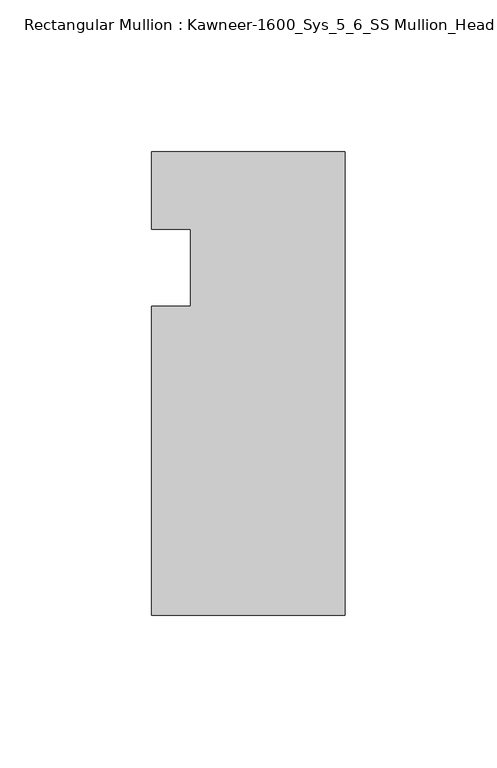
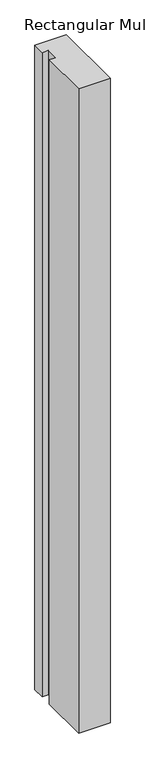
"""IFC4 building model written with IfcOpenShell, lengths in millimetres: member geometry, Rectangular Mullion : Kawneer-1600_Sys_5_6_SS Mullion_Head."""

import ifcopenshell
import ifcopenshell.guid

model = None  # the IFC model being written
_history = None  # IfcOwnerHistory: only IFC2X3 demands one
_inside = {}  # id of a spatial element -> (the spatial element, [elements in it])
_under = {}  # id of a project, library or spatial element -> (it, [spatial elements below it])
_declared = {}  # id of a project -> (the project, [libraries it declares])
_typed = {}  # id of a type object -> (the type object, [elements of that type])
_made_of = {}  # id of a material, layer set ... -> (it, [elements and type objects made of it])


def new_model(schema):
    """Start an empty IFC model of exactly this schema.

    Asked for "IFC4X3", IfcOpenShell would pick the latest addendum, in which some entities
    have other attributes; the version numbers below select the first issue.
    IFC2X3 requires an IfcOwnerHistory on every rooted entity: one is made here for all.
    """
    global model, _history
    if schema == "IFC4X3":
        model = ifcopenshell.file(schema_version=(4, 3, 0, 0))
    else:
        model = ifcopenshell.file(schema=schema)
    _inside.clear()
    _under.clear()
    _declared.clear()
    _typed.clear()
    _made_of.clear()
    _history = None
    if model.schema == "IFC2X3":
        org = make("IfcOrganization", Name="unknown")
        user = make(
            "IfcPersonAndOrganization",
            ThePerson=make("IfcPerson", FamilyName="unknown"),
            TheOrganization=org,
        )
        app = make(
            "IfcApplication",
            ApplicationDeveloper=org,
            Version="unknown",
            ApplicationFullName="unknown",
            ApplicationIdentifier="unknown",
        )
        _history = make(
            "IfcOwnerHistory",
            OwningUser=user,
            OwningApplication=app,
            ChangeAction="ADDED",
            CreationDate=0,
        )
    return model


def make(cls, **values):
    """One entity of the class cls with the attributes given. An attribute that is None is left unset."""
    return model.create_entity(
        cls, **{name: value for name, value in values.items() if value is not None}
    )


def rooted(cls, **values):
    """An entity with a GlobalId (a new one), such as an element, a storey or a relation."""
    return make(cls, GlobalId=ifcopenshell.guid.new(), OwnerHistory=_history, **values)


def si_unit(unit_type, name, prefix=None):
    """IfcSIUnit, for example si_unit("LENGTHUNIT", "METRE", prefix="MILLI")."""
    return make("IfcSIUnit", UnitType=unit_type, Prefix=prefix, Name=name)


def assignment(units):
    """IfcUnitAssignment: the units of a project."""
    return None if units is None else make("IfcUnitAssignment", Units=units)


def point(xyz):
    """IfcCartesianPoint."""
    return None if xyz is None else make("IfcCartesianPoint", Coordinates=xyz)


def direction(xyz):
    """IfcDirection."""
    return None if xyz is None else make("IfcDirection", DirectionRatios=xyz)


def frame(location, z_axis=None, x_axis=None):
    """IfcAxis2Placement3D, a coordinate frame: its origin and axes. An axis left out is left unset."""
    return make(
        "IfcAxis2Placement3D",
        Location=point(location),
        Axis=direction(z_axis),
        RefDirection=direction(x_axis),
    )


def origin():
    """The frame at (0, 0, 0) with its axes left unset."""
    return frame((0.0, 0.0, 0.0))


def place(relative_to, where):
    """IfcLocalPlacement: puts the frame where relative to a parent placement (None: the world)."""
    return make(
        "IfcLocalPlacement", PlacementRelTo=relative_to, RelativePlacement=where
    )


def context(
    kind, dimensions, precision=None, world=None, true_north=None, identifier=None
):
    """IfcGeometricRepresentationContext, for example the 3D "Model" context."""
    return make(
        "IfcGeometricRepresentationContext",
        ContextIdentifier=identifier,
        ContextType=kind,
        CoordinateSpaceDimension=dimensions,
        Precision=precision,
        WorldCoordinateSystem=world,
        TrueNorth=true_north,
    )


def project(units=None, contexts=None):
    """IfcProject with its units and contexts."""
    return rooted(
        "IfcProject",
        Name="project",
        RepresentationContexts=contexts,
        UnitsInContext=assignment(units),
    )


def spatial(cls, under=None, at=None, **own):
    """A site, building, storey or space (cls), placed at a placement, below another one or the project."""
    s = rooted(cls, ObjectPlacement=at, **own)
    if under is not None:
        _under.setdefault(under.id(), (under, []))[1].append(s)
    return s


def polyline(points):
    """IfcPolyline through the points."""
    return make("IfcPolyline", Points=[point(p) for p in points])


def outline(outer, holes=None, kind="AREA"):
    """IfcArbitraryClosedProfileDef: a profile drawn as a closed curve; with holes, ...WithVoids."""
    if holes is None:
        return make("IfcArbitraryClosedProfileDef", ProfileType=kind, OuterCurve=outer)
    return make(
        "IfcArbitraryProfileDefWithVoids",
        ProfileType=kind,
        OuterCurve=outer,
        InnerCurves=holes,
    )


def extrude(swept, where, along, depth):
    """IfcExtrudedAreaSolid: the profile swept, set in the frame where, extruded along a direction by depth."""
    return make(
        "IfcExtrudedAreaSolid",
        SweptArea=swept,
        Position=where,
        ExtrudedDirection=direction(along),
        Depth=depth,
    )


def shape(context_of_items, identifier, shape_type, items):
    """IfcShapeRepresentation: the items that make up one representation, for example the "Body"."""
    return make(
        "IfcShapeRepresentation",
        ContextOfItems=context_of_items,
        RepresentationIdentifier=identifier,
        RepresentationType=shape_type,
        Items=items,
    )


def source(mapping_origin, context_of_items, identifier, shape_type, items):
    """IfcRepresentationMap: a shape defined once, which mapped items show again and again."""
    return make(
        "IfcRepresentationMap",
        MappingOrigin=mapping_origin,
        MappedRepresentation=shape(context_of_items, identifier, shape_type, items),
    )


def transform(
    local_origin,
    x_axis=None,
    y_axis=None,
    z_axis=None,
    scale=None,
    scale2=None,
    scale3=None,
    uniform=True,
):
    """IfcCartesianTransformationOperator3D, or its non-uniform kind. x_axis, y_axis, z_axis: its Axis1, 2, 3."""
    if uniform:
        return make(
            "IfcCartesianTransformationOperator3D",
            Axis1=direction(x_axis),
            Axis2=direction(y_axis),
            LocalOrigin=point(local_origin),
            Scale=scale,
            Axis3=direction(z_axis),
        )
    return make(
        "IfcCartesianTransformationOperator3DnonUniform",
        Axis1=direction(x_axis),
        Axis2=direction(y_axis),
        LocalOrigin=point(local_origin),
        Scale=scale,
        Axis3=direction(z_axis),
        Scale2=scale2,
        Scale3=scale3,
    )


def mapped(mapping_source, mapping_target):
    """IfcMappedItem: shows the shape of a source again, moved by a transform."""
    return make(
        "IfcMappedItem", MappingSource=mapping_source, MappingTarget=mapping_target
    )


def made_of(thing, what):
    """Note that an element or type object is made of a material, layer set ...; save() writes the relation."""
    if what is not None:
        _made_of.setdefault(what.id(), (what, []))[1].append(thing)
    return thing


def element(
    cls,
    number,
    at=None,
    inside=None,
    cuts=None,
    type_object=None,
    material=None,
    context=None,
    identifier="Body",
    shape_type=None,
    held_by="IfcProductDefinitionShape",
    body=None,
    shapes=None,
    **own,
):
    """One element of the class cls, such as IfcWall. Its Tag is "e" and its number.

    at: its placement. inside: the storey or other place that contains it. cuts: it is an
    opening in that element (IfcRelVoidsElement). A single representation is given by context,
    identifier, shape_type and body (its items); several are given by shapes. held_by: the class
    of the entity that holds the representations. save() writes the other relations.
    """
    e = rooted(cls, Tag="e%d" % number, ObjectPlacement=at, **own)
    if body is not None:
        shapes = [shape(context, identifier, shape_type, body)]
    if shapes is not None:
        e.Representation = make(held_by, Representations=shapes)
    if inside is not None:
        _inside.setdefault(inside.id(), (inside, []))[1].append(e)
    if cuts is not None:
        rooted(
            "IfcRelVoidsElement", RelatingBuildingElement=cuts, RelatedOpeningElement=e
        )
    if type_object is not None:
        _typed.setdefault(type_object.id(), (type_object, []))[1].append(e)
    return made_of(e, material)


def aggregate(whole, parts):
    """IfcRelAggregates: a whole, such as a stair, and the parts it consists of."""
    return rooted("IfcRelAggregates", RelatingObject=whole, RelatedObjects=parts)


def save(model, path):
    """Write the relations noted so far, then the file.

    IfcRelAggregates (storeys below a building ...), IfcRelContainedInSpatialStructure (elements
    in a storey), IfcRelDefinesByType, IfcRelAssociatesMaterial and IfcRelDeclares: one each for
    every whole, place, type object, material and project.
    """
    for whole, parts in _under.values():
        aggregate(whole, parts)
    for where, things in _inside.values():
        rooted(
            "IfcRelContainedInSpatialStructure",
            RelatedElements=things,
            RelatingStructure=where,
        )
    for kind, things in _typed.values():
        rooted("IfcRelDefinesByType", RelatedObjects=things, RelatingType=kind)
    for what, things in _made_of.values():
        rooted("IfcRelAssociatesMaterial", RelatedObjects=things, RelatingMaterial=what)
    for by, libraries in _declared.values():
        rooted("IfcRelDeclares", RelatingContext=by, RelatedDefinitions=libraries)
    model.write(path)


def rectangular_mullion_kawneer_1600_sys_5_6_ss_mullion_head_749f3855(model_context):
    return source(origin(), model_context, "Body", "SweptSolid", [
        extrude(outline(polyline([(-63.5, -114.3), (-63.5, -12.7), (-50.7982296, -12.7), (-50.7982296, 12.7), (-63.5, 12.7), (-63.5, 38.1), (0.0, 38.1), (0.0, -114.3), (-63.5, -114.3)])), frame((0.0, 0.0, -1373.6155973), z_axis=(0.0, 0.0, 1.0), x_axis=(1.0, 0.0, 0.0)), (0.0, 0.0, 1.0), 1373.6155973),
    ])


if __name__ == "__main__":
    model = new_model("IFC4")
    model_context = context("Model", 3, world=origin())
    ifc_project = project(units=[si_unit("LENGTHUNIT", "METRE", prefix="MILLI")], contexts=[model_context])
    site = spatial("IfcSite", under=ifc_project)
    building = spatial("IfcBuilding", under=site)
    placement = place(None, origin())
    rectangular_mullion_kawneer_1600_sys_5_6_ss_mullion_head_shape = rectangular_mullion_kawneer_1600_sys_5_6_ss_mullion_head_749f3855(model_context)
    element("IfcMember", 1, ObjectType="Rectangular Mullion : Kawneer-1600_Sys_5_6_SS Mullion_Head", at=placement, inside=building, context=model_context, shape_type="MappedRepresentation", body=[
        mapped(rectangular_mullion_kawneer_1600_sys_5_6_ss_mullion_head_shape, transform((0.0, 0.0, 0.0), x_axis=(1.0, 0.0, 0.0), y_axis=(0.0, 1.0, 0.0), z_axis=(0.0, 0.0, 1.0))),
    ])
    save(model, "model.ifc")
